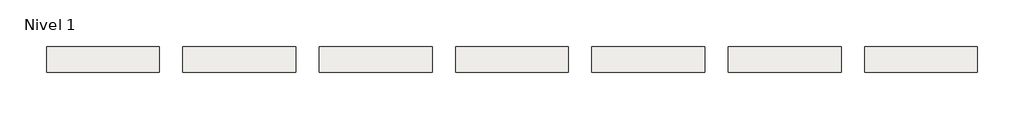
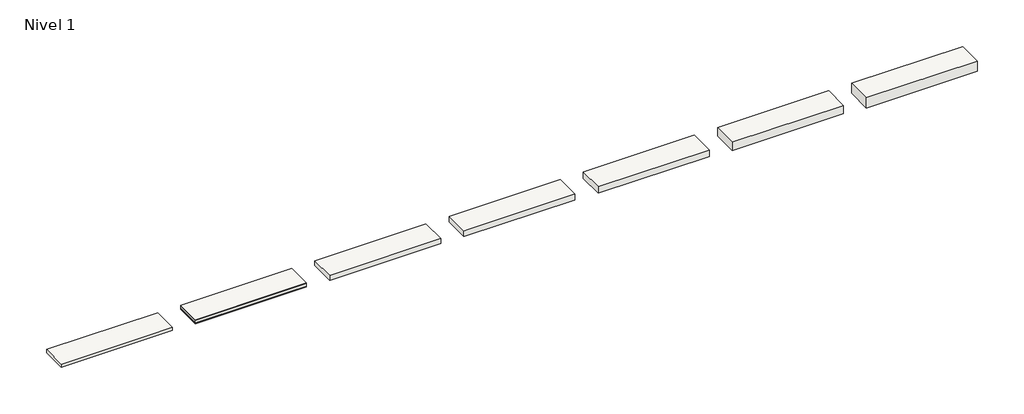
# One storey: 7 slabs.
"""IFC4 building model written with IfcOpenShell, lengths in millimetres."""

from ifc_helpers import new_model, si_unit, frame, origin, place, context, project, spatial, polyline, outline, extrude, element, save

model = new_model("IFC4")

# Units and contexts
model_context = context("Model", 3, world=origin())
ifc_project = project(units=[si_unit("LENGTHUNIT", "METRE", prefix="MILLI")], contexts=[model_context])

# Site, building, storey
site = spatial("IfcSite", under=ifc_project)
building = spatial("IfcBuilding", under=site)
storey = spatial("IfcBuildingStorey", under=building, Name="Nivel 1", Elevation=0.0)

# Slabs
placement = place(None, origin())
element("IfcSlab", 1, at=placement, inside=storey, context=model_context, shape_type="SweptSolid", body=[
    extrude(outline(polyline([(1484.4345966, -911.6608764), (1484.4345966, -1461.6608764), (-915.5654034, -1461.6608764), (-915.5654034, -911.6608764), (1484.4345966, -911.6608764)])), frame((0.0, 0.0, -12.5), z_axis=(0.0, 0.0, 1.0), x_axis=(1.0, 0.0, 0.0)), (0.0, 0.0, 1.0), 12.5),
    extrude(outline(polyline([(1484.4345966, -911.6608764), (1484.4345966, -1461.6608764), (-915.5654034, -1461.6608764), (-915.5654034, -911.6608764), (1484.4345966, -911.6608764)])), frame((0.0, 0.0, -72.5), z_axis=(0.0, 0.0, 1.0), x_axis=(1.0, 0.0, 0.0)), (0.0, 0.0, 1.0), 60.0),
    extrude(outline(polyline([(1484.4345966, -911.6608764), (1484.4345966, -1461.6608764), (-915.5654034, -1461.6608764), (-915.5654034, -911.6608764), (1484.4345966, -911.6608764)])), frame((0.0, 0.0, -91.5), z_axis=(0.0, 0.0, 1.0), x_axis=(1.0, 0.0, 0.0)), (0.0, 0.0, 1.0), 19.0),
])
element("IfcSlab", 2, at=placement, inside=storey, context=model_context, shape_type="SweptSolid", body=[
    extrude(outline(polyline([(4384.4345966, -911.6608764), (4384.4345966, -1461.6608764), (1984.4345966, -1461.6608764), (1984.4345966, -911.6608764), (4384.4345966, -911.6608764)])), frame((0.0, 0.0, -111.5), z_axis=(0.0, 0.0, 1.0), x_axis=(1.0, 0.0, 0.0)), (0.0, 0.0, 1.0), 111.5),
])
element("IfcSlab", 3, at=placement, inside=storey, context=model_context, shape_type="SweptSolid", body=[
    extrude(outline(polyline([(7284.4345966, -911.6608764), (7284.4345966, -1461.6608764), (4884.4345966, -1461.6608764), (4884.4345966, -911.6608764), (7284.4345966, -911.6608764)])), frame((0.0, 0.0, -131.5), z_axis=(0.0, 0.0, 1.0), x_axis=(1.0, 0.0, 0.0)), (0.0, 0.0, 1.0), 131.5),
])
element("IfcSlab", 4, at=placement, inside=storey, context=model_context, shape_type="SweptSolid", body=[
    extrude(outline(polyline([(10184.4345966, -911.6608764), (10184.4345966, -1461.6608764), (7784.4345966, -1461.6608764), (7784.4345966, -911.6608764), (10184.4345966, -911.6608764)])), frame((0.0, 0.0, -151.5), z_axis=(0.0, 0.0, 1.0), x_axis=(1.0, 0.0, 0.0)), (0.0, 0.0, 1.0), 151.5),
])
element("IfcSlab", 5, at=placement, inside=storey, context=model_context, shape_type="SweptSolid", body=[
    extrude(outline(polyline([(13084.4345966, -911.6608764), (13084.4345966, -1461.6608764), (10684.4345966, -1461.6608764), (10684.4345966, -911.6608764), (13084.4345966, -911.6608764)])), frame((0.0, 0.0, -191.5), z_axis=(0.0, 0.0, 1.0), x_axis=(1.0, 0.0, 0.0)), (0.0, 0.0, 1.0), 191.5),
])
element("IfcSlab", 6, at=placement, inside=storey, context=model_context, shape_type="SweptSolid", body=[
    extrude(outline(polyline([(15984.4345966, -911.6608764), (15984.4345966, -1461.6608764), (13584.4345966, -1461.6608764), (13584.4345966, -911.6608764), (15984.4345966, -911.6608764)])), frame((0.0, 0.0, -231.5), z_axis=(0.0, 0.0, 1.0), x_axis=(1.0, 0.0, 0.0)), (0.0, 0.0, 1.0), 231.5),
])
element("IfcSlab", 7, at=placement, inside=storey, context=model_context, shape_type="SweptSolid", body=[
    extrude(outline(polyline([(-1415.5654034, -911.6608764), (-1415.5654034, -1461.6608764), (-3815.5654034, -1461.6608764), (-3815.5654034, -911.6608764), (-1415.5654034, -911.6608764)])), frame((0.0, 0.0, -71.5), z_axis=(0.0, 0.0, 1.0), x_axis=(1.0, 0.0, 0.0)), (0.0, 0.0, 1.0), 71.5),
])

save(model, "model.ifc")
